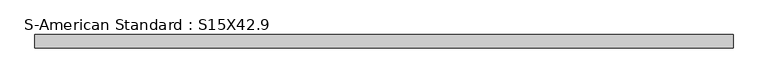
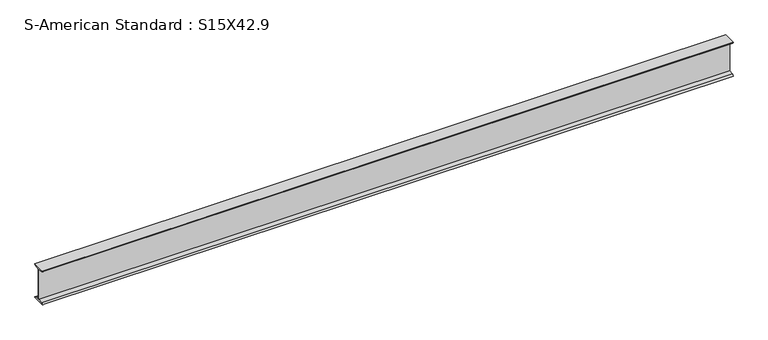
"""IFC4 building model written with IfcOpenShell, lengths in millimetres: beam geometry, S-American Standard : S15X42.9."""

from ifc_helpers import new_model, si_unit, point, frame, frame_2d, origin, place, context, project, spatial, polyline, circle_curve, trimmed, segment, composite_curve, outline, extrude, source, transform, mapped, element, save


def s_american_standard_s15x42_9_c5397a73(model_context):
    return source(origin(), model_context, "Body", "SweptSolid", [
        extrude(outline(composite_curve([segment(polyline([(-69.85, 190.5), (69.85, 190.5)]), True, "CONTINUOUS"), segment(trimmed(circle_curve(frame_2d((54.05, 190.5)), 15.8), [point((69.85, 190.5))], [point((54.05, 174.7))], False, "CARTESIAN"), True, "CONTINUOUS"), segment(polyline([(54.05, 174.7), (5.2, 166.9629201), (5.2, -166.9629201), (54.05, -174.7)]), True, "CONTINUOUS"), segment(trimmed(circle_curve(frame_2d((54.05, -190.5)), 15.8), [point((54.05, -174.7))], [point((69.85, -190.5))], False, "CARTESIAN"), True, "CONTINUOUS"), segment(polyline([(69.85, -190.5), (-69.85, -190.5)]), True, "CONTINUOUS"), segment(trimmed(circle_curve(frame_2d((-54.05, -190.5)), 15.8), [point((-69.85, -190.5))], [point((-54.05, -174.7))], False, "CARTESIAN"), True, "CONTINUOUS"), segment(polyline([(-54.05, -174.7), (-5.2, -166.9629201), (-5.2, 166.9629201), (-54.05, 174.7)]), True, "CONTINUOUS"), segment(trimmed(circle_curve(frame_2d((-54.05, 190.5)), 15.8), [point((-54.05, 174.7))], [point((-69.85, 190.5))], False, "CARTESIAN"), True, "CONTINUOUS")], self_intersect=False)), frame((-3679.2210456, 0.0, 0.0), z_axis=(1.0, 0.0, 0.0), x_axis=(0.0, 1.0, 0.0)), (0.0, 0.0, 1.0), 7359.2790441),
    ])


if __name__ == "__main__":
    model = new_model("IFC4")
    model_context = context("Model", 3, world=origin())
    ifc_project = project(units=[si_unit("LENGTHUNIT", "METRE", prefix="MILLI")], contexts=[model_context])
    site = spatial("IfcSite", under=ifc_project)
    building = spatial("IfcBuilding", under=site)
    placement = place(None, origin())
    s_american_standard_s15x42_9_shape = s_american_standard_s15x42_9_c5397a73(model_context)
    element("IfcBeam", 1, ObjectType="S-American Standard : S15X42.9", at=placement, inside=building, context=model_context, shape_type="MappedRepresentation", body=[
        mapped(s_american_standard_s15x42_9_shape, transform((0.0, 0.0, 0.0), x_axis=(1.0, 0.0, 0.0), y_axis=(0.0, 1.0, 0.0), z_axis=(0.0, 0.0, 1.0))),
    ])
    save(model, "model.ifc")
